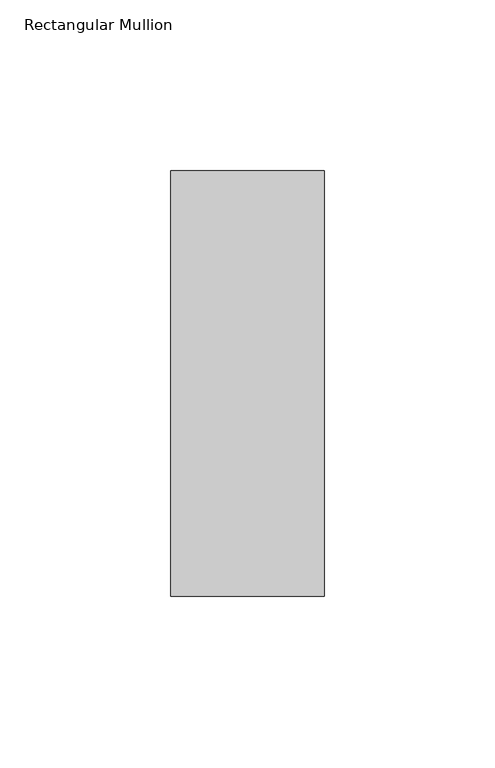
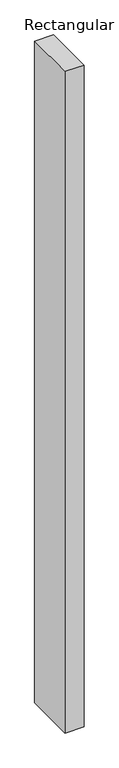
"""IFC4 building model written with IfcOpenShell, lengths in millimetres: member geometry, Rectangular Mullion."""

from ifc_helpers import new_model, si_unit, frame, origin, place, context, project, spatial, polyline, outline, extrude, source, transform, mapped, element, save


def rectangular_mullion_56ede8e9(model_context):
    return source(origin(), model_context, "Body", "SweptSolid", [
        extrude(outline(polyline([(22.5, 77.84375), (22.5, -46.84375), (-22.5, -46.84375), (-22.5, 77.84375), (22.5, 77.84375)])), frame((0.0, 0.0, -1659.6779543), z_axis=(0.0, 0.0, 1.0), x_axis=(1.0, 0.0, 0.0)), (0.0, 0.0, 1.0), 1659.6779543),
    ])


if __name__ == "__main__":
    model = new_model("IFC4")
    model_context = context("Model", 3, world=origin())
    ifc_project = project(units=[si_unit("LENGTHUNIT", "METRE", prefix="MILLI")], contexts=[model_context])
    site = spatial("IfcSite", under=ifc_project)
    building = spatial("IfcBuilding", under=site)
    placement = place(None, origin())
    rectangular_mullion_shape = rectangular_mullion_56ede8e9(model_context)
    element("IfcMember", 1, ObjectType="Rectangular Mullion", at=placement, inside=building, context=model_context, shape_type="MappedRepresentation", body=[
        mapped(rectangular_mullion_shape, transform((0.0, 0.0, 0.0), x_axis=(1.0, 0.0, 0.0), y_axis=(0.0, 1.0, 0.0), z_axis=(0.0, 0.0, 1.0))),
    ])
    save(model, "model.ifc")
